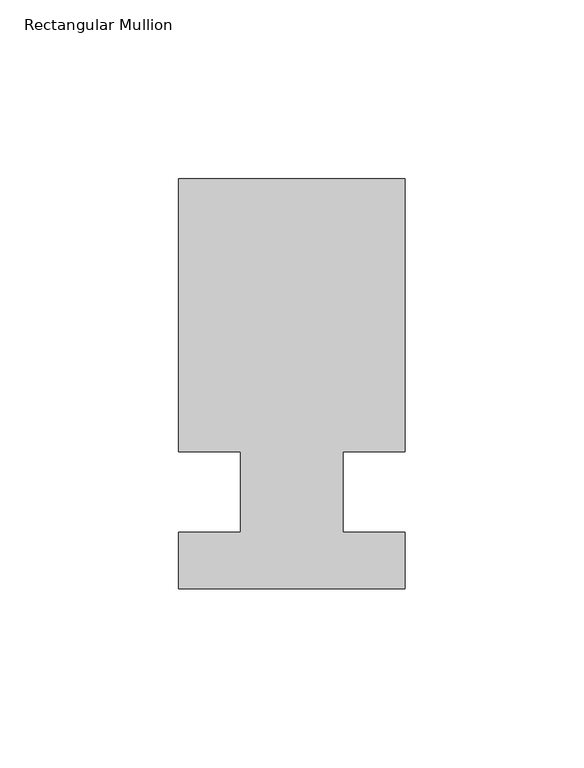
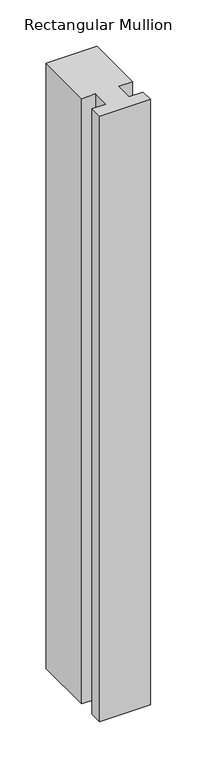
"""IFC4 building model written with IfcOpenShell, lengths in millimetres: member geometry, Rectangular Mullion."""

from ifc_helpers import new_model, si_unit, frame, origin, place, context, project, spatial, polyline, outline, extrude, source, transform, mapped, element, save


def rectangular_mullion_a91873fb(model_context):
    return source(origin(), model_context, "Body", "SweptSolid", [
        extrude(outline(polyline([(-31.75, -53.9059438), (-31.75, -38.0563438), (-14.2875, -38.0563438), (-14.2875, -15.5773438), (-31.75, -15.5773437), (-31.75, 60.9528562), (31.75, 60.9528562), (31.75, -15.5773438), (14.2875, -15.5773437), (14.2875, -38.0563438), (31.75, -38.0563438), (31.75, -53.9059438), (-31.75, -53.9059438)])), frame((0.0, 0.0, -795.9447453), z_axis=(0.0, 0.0, 1.0), x_axis=(1.0, 0.0, 0.0)), (0.0, 0.0, 1.0), 795.9447453),
    ])


if __name__ == "__main__":
    model = new_model("IFC4")
    model_context = context("Model", 3, world=origin())
    ifc_project = project(units=[si_unit("LENGTHUNIT", "METRE", prefix="MILLI")], contexts=[model_context])
    site = spatial("IfcSite", under=ifc_project)
    building = spatial("IfcBuilding", under=site)
    placement = place(None, origin())
    rectangular_mullion_shape = rectangular_mullion_a91873fb(model_context)
    element("IfcMember", 1, ObjectType="Rectangular Mullion", at=placement, inside=building, context=model_context, shape_type="MappedRepresentation", body=[
        mapped(rectangular_mullion_shape, transform((0.0, 0.0, 0.0), x_axis=(1.0, 0.0, 0.0), y_axis=(0.0, 1.0, 0.0), z_axis=(0.0, 0.0, 1.0))),
    ])
    save(model, "model.ifc")
